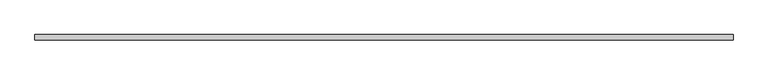
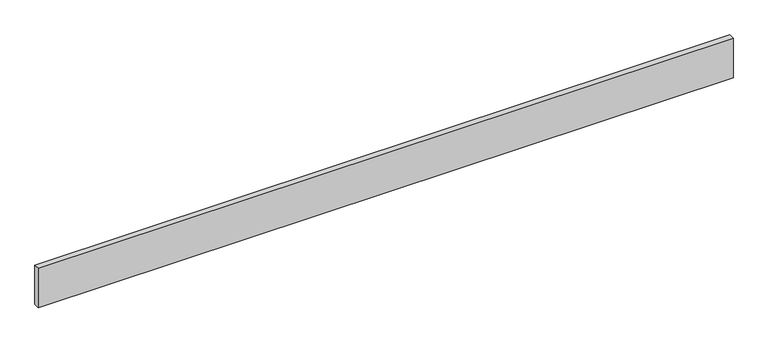
"""IFC4 building model written with IfcOpenShell, lengths in millimetres: beam geometry."""

from ifc_helpers import new_model, si_unit, frame, origin, place, context, project, spatial, polyline, outline, extrude, source, transform, mapped, element, save


def beam_4f9c1b8f(model_context):
    return source(origin(), model_context, "Body", "SweptSolid", [
        extrude(outline(polyline([(1250.0, 10.0), (1250.0, -10.0), (-1250.0, -10.0), (-1250.0, 10.0), (1250.0, 10.0)])), frame((0.0, 0.0, -75.0), z_axis=(0.0, 0.0, 1.0), x_axis=(1.0, 0.0, 0.0)), (0.0, 0.0, 1.0), 150.0),
    ])


if __name__ == "__main__":
    model = new_model("IFC4")
    model_context = context("Model", 3, world=origin())
    ifc_project = project(units=[si_unit("LENGTHUNIT", "METRE", prefix="MILLI")], contexts=[model_context])
    site = spatial("IfcSite", under=ifc_project)
    building = spatial("IfcBuilding", under=site)
    placement = place(None, origin())
    beam_shape = beam_4f9c1b8f(model_context)
    element("IfcBeam", 1, at=placement, inside=building, context=model_context, shape_type="MappedRepresentation", body=[
        mapped(beam_shape, transform((0.0, 0.0, 0.0), x_axis=(1.0, 0.0, 0.0), y_axis=(0.0, 1.0, 0.0), z_axis=(0.0, 0.0, 1.0))),
    ])
    save(model, "model.ifc")
